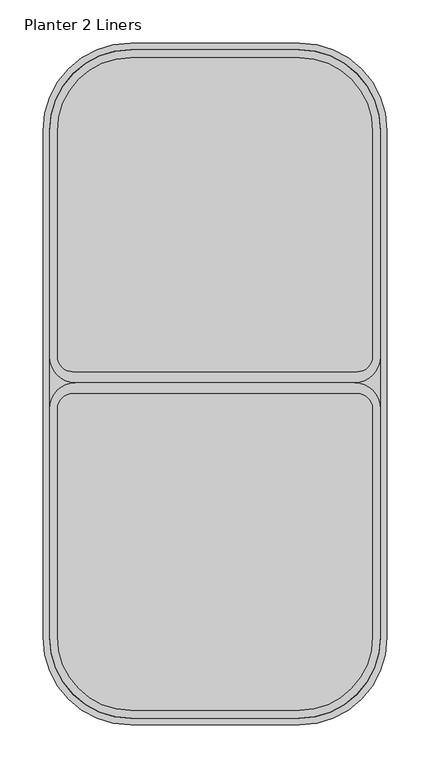
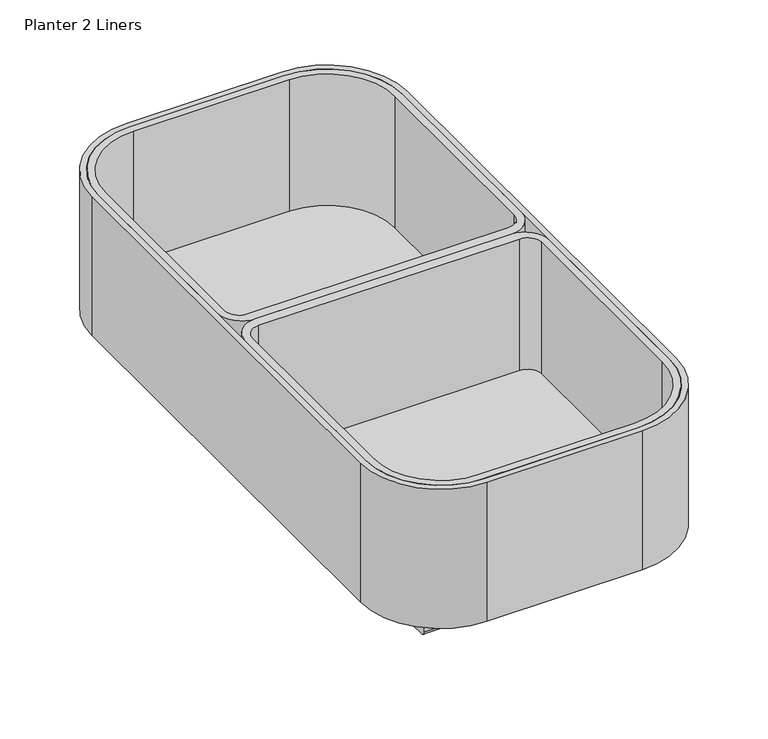
"""IFC4 building model written with IfcOpenShell, lengths in millimetres: furniture geometry, Planter 2 Liners."""

import ifcopenshell
import ifcopenshell.guid

model = None  # the IFC model being written
_history = None  # IfcOwnerHistory: only IFC2X3 demands one
_inside = {}  # id of a spatial element -> (the spatial element, [elements in it])
_under = {}  # id of a project, library or spatial element -> (it, [spatial elements below it])
_declared = {}  # id of a project -> (the project, [libraries it declares])
_typed = {}  # id of a type object -> (the type object, [elements of that type])
_made_of = {}  # id of a material, layer set ... -> (it, [elements and type objects made of it])


def new_model(schema):
    """Start an empty IFC model of exactly this schema.

    Asked for "IFC4X3", IfcOpenShell would pick the latest addendum, in which some entities
    have other attributes; the version numbers below select the first issue.
    IFC2X3 requires an IfcOwnerHistory on every rooted entity: one is made here for all.
    """
    global model, _history
    if schema == "IFC4X3":
        model = ifcopenshell.file(schema_version=(4, 3, 0, 0))
    else:
        model = ifcopenshell.file(schema=schema)
    _inside.clear()
    _under.clear()
    _declared.clear()
    _typed.clear()
    _made_of.clear()
    _history = None
    if model.schema == "IFC2X3":
        org = make("IfcOrganization", Name="unknown")
        user = make(
            "IfcPersonAndOrganization",
            ThePerson=make("IfcPerson", FamilyName="unknown"),
            TheOrganization=org,
        )
        app = make(
            "IfcApplication",
            ApplicationDeveloper=org,
            Version="unknown",
            ApplicationFullName="unknown",
            ApplicationIdentifier="unknown",
        )
        _history = make(
            "IfcOwnerHistory",
            OwningUser=user,
            OwningApplication=app,
            ChangeAction="ADDED",
            CreationDate=0,
        )
    return model


def make(cls, **values):
    """One entity of the class cls with the attributes given. An attribute that is None is left unset."""
    return model.create_entity(
        cls, **{name: value for name, value in values.items() if value is not None}
    )


def rooted(cls, **values):
    """An entity with a GlobalId (a new one), such as an element, a storey or a relation."""
    return make(cls, GlobalId=ifcopenshell.guid.new(), OwnerHistory=_history, **values)


def si_unit(unit_type, name, prefix=None):
    """IfcSIUnit, for example si_unit("LENGTHUNIT", "METRE", prefix="MILLI")."""
    return make("IfcSIUnit", UnitType=unit_type, Prefix=prefix, Name=name)


def assignment(units):
    """IfcUnitAssignment: the units of a project."""
    return None if units is None else make("IfcUnitAssignment", Units=units)


def point(xyz):
    """IfcCartesianPoint."""
    return None if xyz is None else make("IfcCartesianPoint", Coordinates=xyz)


def direction(xyz):
    """IfcDirection."""
    return None if xyz is None else make("IfcDirection", DirectionRatios=xyz)


def frame(location, z_axis=None, x_axis=None):
    """IfcAxis2Placement3D, a coordinate frame: its origin and axes. An axis left out is left unset."""
    return make(
        "IfcAxis2Placement3D",
        Location=point(location),
        Axis=direction(z_axis),
        RefDirection=direction(x_axis),
    )


def frame_2d(location, x_axis=None):
    """IfcAxis2Placement2D, a coordinate frame in the plane: its origin and x axis."""
    return make(
        "IfcAxis2Placement2D", Location=point(location), RefDirection=direction(x_axis)
    )


def origin():
    """The frame at (0, 0, 0) with its axes left unset."""
    return frame((0.0, 0.0, 0.0))


def place(relative_to, where):
    """IfcLocalPlacement: puts the frame where relative to a parent placement (None: the world)."""
    return make(
        "IfcLocalPlacement", PlacementRelTo=relative_to, RelativePlacement=where
    )


def context(
    kind, dimensions, precision=None, world=None, true_north=None, identifier=None
):
    """IfcGeometricRepresentationContext, for example the 3D "Model" context."""
    return make(
        "IfcGeometricRepresentationContext",
        ContextIdentifier=identifier,
        ContextType=kind,
        CoordinateSpaceDimension=dimensions,
        Precision=precision,
        WorldCoordinateSystem=world,
        TrueNorth=true_north,
    )


def project(units=None, contexts=None):
    """IfcProject with its units and contexts."""
    return rooted(
        "IfcProject",
        Name="project",
        RepresentationContexts=contexts,
        UnitsInContext=assignment(units),
    )


def spatial(cls, under=None, at=None, **own):
    """A site, building, storey or space (cls), placed at a placement, below another one or the project."""
    s = rooted(cls, ObjectPlacement=at, **own)
    if under is not None:
        _under.setdefault(under.id(), (under, []))[1].append(s)
    return s


def polyline(points):
    """IfcPolyline through the points."""
    return make("IfcPolyline", Points=[point(p) for p in points])


def circle_curve(where, radius):
    """IfcCircle in the frame where."""
    return make("IfcCircle", Position=where, Radius=radius)


def trimmed(basis, trim1, trim2, sense, master):
    """IfcTrimmedCurve: the piece of a basis curve between two trims."""
    return make(
        "IfcTrimmedCurve",
        BasisCurve=basis,
        Trim1=trim1,
        Trim2=trim2,
        SenseAgreement=sense,
        MasterRepresentation=master,
    )


def segment(curve, same_sense, transition):
    """IfcCompositeCurveSegment."""
    return make(
        "IfcCompositeCurveSegment",
        Transition=transition,
        SameSense=same_sense,
        ParentCurve=curve,
    )


def composite_curve(segments, self_intersect=None):
    """IfcCompositeCurve: segments joined end to end."""
    return make("IfcCompositeCurve", Segments=segments, SelfIntersect=self_intersect)


def outline(outer, holes=None, kind="AREA"):
    """IfcArbitraryClosedProfileDef: a profile drawn as a closed curve; with holes, ...WithVoids."""
    if holes is None:
        return make("IfcArbitraryClosedProfileDef", ProfileType=kind, OuterCurve=outer)
    return make(
        "IfcArbitraryProfileDefWithVoids",
        ProfileType=kind,
        OuterCurve=outer,
        InnerCurves=holes,
    )


def extrude(swept, where, along, depth):
    """IfcExtrudedAreaSolid: the profile swept, set in the frame where, extruded along a direction by depth."""
    return make(
        "IfcExtrudedAreaSolid",
        SweptArea=swept,
        Position=where,
        ExtrudedDirection=direction(along),
        Depth=depth,
    )


def shape(context_of_items, identifier, shape_type, items):
    """IfcShapeRepresentation: the items that make up one representation, for example the "Body"."""
    return make(
        "IfcShapeRepresentation",
        ContextOfItems=context_of_items,
        RepresentationIdentifier=identifier,
        RepresentationType=shape_type,
        Items=items,
    )


def source(mapping_origin, context_of_items, identifier, shape_type, items):
    """IfcRepresentationMap: a shape defined once, which mapped items show again and again."""
    return make(
        "IfcRepresentationMap",
        MappingOrigin=mapping_origin,
        MappedRepresentation=shape(context_of_items, identifier, shape_type, items),
    )


def transform(
    local_origin,
    x_axis=None,
    y_axis=None,
    z_axis=None,
    scale=None,
    scale2=None,
    scale3=None,
    uniform=True,
):
    """IfcCartesianTransformationOperator3D, or its non-uniform kind. x_axis, y_axis, z_axis: its Axis1, 2, 3."""
    if uniform:
        return make(
            "IfcCartesianTransformationOperator3D",
            Axis1=direction(x_axis),
            Axis2=direction(y_axis),
            LocalOrigin=point(local_origin),
            Scale=scale,
            Axis3=direction(z_axis),
        )
    return make(
        "IfcCartesianTransformationOperator3DnonUniform",
        Axis1=direction(x_axis),
        Axis2=direction(y_axis),
        LocalOrigin=point(local_origin),
        Scale=scale,
        Axis3=direction(z_axis),
        Scale2=scale2,
        Scale3=scale3,
    )


def mapped(mapping_source, mapping_target):
    """IfcMappedItem: shows the shape of a source again, moved by a transform."""
    return make(
        "IfcMappedItem", MappingSource=mapping_source, MappingTarget=mapping_target
    )


def made_of(thing, what):
    """Note that an element or type object is made of a material, layer set ...; save() writes the relation."""
    if what is not None:
        _made_of.setdefault(what.id(), (what, []))[1].append(thing)
    return thing


def element(
    cls,
    number,
    at=None,
    inside=None,
    cuts=None,
    type_object=None,
    material=None,
    context=None,
    identifier="Body",
    shape_type=None,
    held_by="IfcProductDefinitionShape",
    body=None,
    shapes=None,
    **own,
):
    """One element of the class cls, such as IfcWall. Its Tag is "e" and its number.

    at: its placement. inside: the storey or other place that contains it. cuts: it is an
    opening in that element (IfcRelVoidsElement). A single representation is given by context,
    identifier, shape_type and body (its items); several are given by shapes. held_by: the class
    of the entity that holds the representations. save() writes the other relations.
    """
    e = rooted(cls, Tag="e%d" % number, ObjectPlacement=at, **own)
    if body is not None:
        shapes = [shape(context, identifier, shape_type, body)]
    if shapes is not None:
        e.Representation = make(held_by, Representations=shapes)
    if inside is not None:
        _inside.setdefault(inside.id(), (inside, []))[1].append(e)
    if cuts is not None:
        rooted(
            "IfcRelVoidsElement", RelatingBuildingElement=cuts, RelatedOpeningElement=e
        )
    if type_object is not None:
        _typed.setdefault(type_object.id(), (type_object, []))[1].append(e)
    return made_of(e, material)


def aggregate(whole, parts):
    """IfcRelAggregates: a whole, such as a stair, and the parts it consists of."""
    return rooted("IfcRelAggregates", RelatingObject=whole, RelatedObjects=parts)


def save(model, path):
    """Write the relations noted so far, then the file.

    IfcRelAggregates (storeys below a building ...), IfcRelContainedInSpatialStructure (elements
    in a storey), IfcRelDefinesByType, IfcRelAssociatesMaterial and IfcRelDeclares: one each for
    every whole, place, type object, material and project.
    """
    for whole, parts in _under.values():
        aggregate(whole, parts)
    for where, things in _inside.values():
        rooted(
            "IfcRelContainedInSpatialStructure",
            RelatedElements=things,
            RelatingStructure=where,
        )
    for kind, things in _typed.values():
        rooted("IfcRelDefinesByType", RelatedObjects=things, RelatingType=kind)
    for what, things in _made_of.values():
        rooted("IfcRelAssociatesMaterial", RelatedObjects=things, RelatingMaterial=what)
    for by, libraries in _declared.values():
        rooted("IfcRelDeclares", RelatingContext=by, RelatedDefinitions=libraries)
    model.write(path)


def planter_2_liners_fdd25d95(model_context):
    return source(origin(), model_context, "Body", "SweptSolid", [
        extrude(outline(composite_curve([segment(trimmed(circle_curve(frame_2d((-303.8321315, 707.9918722)), 95.25), [point((-399.0821315, 707.9918722))], [point((-303.8321315, 803.2418722))], False, "CARTESIAN"), True, "CONTINUOUS"), segment(polyline([(-303.8321315, 803.2418722), (-109.5250383, 803.2418722)]), True, "CONTINUOUS"), segment(trimmed(circle_curve(frame_2d((-109.5250383, 707.9918722)), 95.25), [point((-109.5250383, 803.2418722))], [point((-14.2750383, 707.9918722))], False, "CARTESIAN"), True, "CONTINUOUS"), segment(polyline([(-14.2750383, 707.9918722), (-14.2750383, 120.3961637)]), True, "CONTINUOUS"), segment(trimmed(circle_curve(frame_2d((-108.2550383, 120.3961637)), 93.98), [point((-14.2750383, 120.3961637))], [point((-108.2550383, 26.4161637))], False, "CARTESIAN"), True, "CONTINUOUS"), segment(polyline([(-108.2550383, 26.4161637), (-305.1021315, 26.4161637)]), True, "CONTINUOUS"), segment(trimmed(circle_curve(frame_2d((-305.1021315, 120.3961637)), 93.98), [point((-305.1021315, 26.4161637))], [point((-399.0821315, 120.3961637))], False, "CARTESIAN"), True, "CONTINUOUS"), segment(polyline([(-399.0821315, 120.3961637), (-399.0821315, 707.9918722)]), True, "CONTINUOUS")], self_intersect=False)), frame((0.0, 0.0, 131.1254356), z_axis=(0.0, 0.0, 1.0), x_axis=(1.0, 0.0, 0.0)), (0.0, 0.0, 1.0), 10.0545105),
        extrude(outline(composite_curve([segment(trimmed(circle_curve(frame_2d((-44.7550383, 385.8819626)), 30.48), [point((-44.7550383, 416.3619626))], [point((-14.2750383, 385.8819626))], False, "CARTESIAN"), True, "CONTINUOUS"), segment(polyline([(-14.2750383, 385.8819626), (-14.2750383, 121.6661637)]), True, "CONTINUOUS"), segment(trimmed(circle_curve(frame_2d((-109.5250383, 121.6661637)), 95.25), [point((-14.2750383, 121.6661637))], [point((-109.5250383, 26.4161637))], False, "CARTESIAN"), True, "CONTINUOUS"), segment(polyline([(-109.5250383, 26.4161637), (-303.8321315, 26.4161637)]), True, "CONTINUOUS"), segment(trimmed(circle_curve(frame_2d((-303.8321315, 121.6661637)), 95.25), [point((-303.8321315, 26.4161637))], [point((-399.0821315, 121.6661637))], False, "CARTESIAN"), True, "CONTINUOUS"), segment(polyline([(-399.0821315, 121.6661637), (-399.0821315, 385.8819626)]), True, "CONTINUOUS"), segment(trimmed(circle_curve(frame_2d((-368.6021315, 385.8819626)), 30.48), [point((-399.0821315, 385.8819626))], [point((-368.6021315, 416.3619626))], False, "CARTESIAN"), True, "CONTINUOUS"), segment(polyline([(-368.6021315, 416.3619626), (-44.7550383, 416.3619626)]), True, "CONTINUOUS")], self_intersect=False), holes=[composite_curve([segment(polyline([(-305.1021315, 35.9411637), (-108.2550383, 35.9411637)]), True, "CONTINUOUS"), segment(trimmed(circle_curve(frame_2d((-108.2550383, 120.5865272)), 84.6453635), [point((-108.2550383, 35.9411637))], [point((-23.6165604, 121.6661637))], True, "CARTESIAN"), True, "CONTINUOUS"), segment(polyline([(-23.6165604, 121.6661637), (-23.6165604, 385.8819626)]), True, "CONTINUOUS"), segment(trimmed(circle_curve(frame_2d((-41.3965604, 385.8819626)), 17.78), [point((-23.6165604, 385.8819626))], [point((-41.3965604, 403.6619626))], True, "CARTESIAN"), True, "CONTINUOUS"), segment(polyline([(-41.3965604, 403.6619626), (-371.9057041, 403.6619626)]), True, "CONTINUOUS"), segment(trimmed(circle_curve(frame_2d((-371.9057041, 385.8819626)), 17.78), [point((-371.9057041, 403.6619626))], [point((-389.6857041, 385.8819626))], True, "CARTESIAN"), True, "CONTINUOUS"), segment(polyline([(-389.6857041, 385.8819626), (-389.6857041, 121.6661637)]), True, "CONTINUOUS"), segment(trimmed(circle_curve(frame_2d((-305.1021315, 120.5323354)), 84.5911716), [point((-389.6857041, 121.6661637))], [point((-305.1021315, 35.9411637))], True, "CARTESIAN"), True, "CONTINUOUS")], self_intersect=False)]), frame((0.0, 0.0, 141.179946), z_axis=(0.0, 0.0, 1.0), x_axis=(1.0, 0.0, 0.0)), (0.0, 0.0, 1.0), 176.278838),
        extrude(outline(composite_curve([segment(polyline([(-44.7550383, 416.3619626), (-368.6021315, 416.3619626)]), True, "CONTINUOUS"), segment(trimmed(circle_curve(frame_2d((-368.6021315, 446.8419626)), 30.48), [point((-368.6021315, 416.3619626))], [point((-399.0821315, 446.8419626))], False, "CARTESIAN"), True, "CONTINUOUS"), segment(polyline([(-399.0821315, 446.8419626), (-399.0821315, 707.9918722)]), True, "CONTINUOUS"), segment(trimmed(circle_curve(frame_2d((-303.8321315, 707.9918722)), 95.25), [point((-399.0821315, 707.9918722))], [point((-303.8321315, 803.2418722))], False, "CARTESIAN"), True, "CONTINUOUS"), segment(polyline([(-303.8321315, 803.2418722), (-109.5250383, 803.2418722)]), True, "CONTINUOUS"), segment(trimmed(circle_curve(frame_2d((-109.5250383, 707.9918722)), 95.25), [point((-109.5250383, 803.2418722))], [point((-14.2750383, 707.9918722))], False, "CARTESIAN"), True, "CONTINUOUS"), segment(polyline([(-14.2750383, 707.9918722), (-14.2750383, 446.8419626)]), True, "CONTINUOUS"), segment(trimmed(circle_curve(frame_2d((-44.7550383, 446.8419626)), 30.48), [point((-14.2750383, 446.8419626))], [point((-44.7550383, 416.3619626))], False, "CARTESIAN"), True, "CONTINUOUS")], self_intersect=False), holes=[composite_curve([segment(trimmed(circle_curve(frame_2d((-305.1021315, 709.1257005)), 84.5911716), [point((-305.1021315, 793.7168722))], [point((-389.6857041, 707.9918722))], True, "CARTESIAN"), True, "CONTINUOUS"), segment(polyline([(-389.6857041, 707.9918722), (-389.6857041, 446.8419626)]), True, "CONTINUOUS"), segment(trimmed(circle_curve(frame_2d((-371.9057041, 446.8419626)), 17.78), [point((-389.6857041, 446.8419626))], [point((-371.9057041, 429.0619626))], True, "CARTESIAN"), True, "CONTINUOUS"), segment(polyline([(-371.9057041, 429.0619626), (-41.3965604, 429.0619626)]), True, "CONTINUOUS"), segment(trimmed(circle_curve(frame_2d((-41.3965604, 446.8419626)), 17.78), [point((-41.3965604, 429.0619626))], [point((-23.6165604, 446.8419626))], True, "CARTESIAN"), True, "CONTINUOUS"), segment(polyline([(-23.6165604, 446.8419626), (-23.6165604, 707.9918722)]), True, "CONTINUOUS"), segment(trimmed(circle_curve(frame_2d((-108.2550383, 709.0715087)), 84.6453635), [point((-23.6165604, 707.9918722))], [point((-108.2550383, 793.7168722))], True, "CARTESIAN"), True, "CONTINUOUS"), segment(polyline([(-108.2550383, 793.7168722), (-305.1021315, 793.7168722)]), True, "CONTINUOUS")], self_intersect=False)]), frame((0.0, 0.0, 141.179946), z_axis=(0.0, 0.0, 1.0), x_axis=(1.0, 0.0, 0.0)), (0.0, 0.0, 1.0), 176.278838),
        extrude(outline(composite_curve([segment(trimmed(circle_curve(frame_2d((108.865872, 125.0107271)), 5.08), [point((103.785872, 125.0107271))], [point((108.865872, 130.0907271))], False, "CARTESIAN"), True, "CONTINUOUS"), segment(polyline([(108.865872, 130.0907271), (128.9876575, 130.0907271)]), True, "CONTINUOUS"), segment(trimmed(circle_curve(frame_2d((128.9876575, 125.0107271)), 5.08), [point((128.9876575, 130.0907271))], [point((134.0676575, 125.0107271))], False, "CARTESIAN"), True, "CONTINUOUS"), segment(polyline([(134.0676575, 125.0107271), (134.0676575, 75.5475648)]), True, "CONTINUOUS"), segment(trimmed(circle_curve(frame_2d((129.0980339, 75.5475648)), 4.9696236), [point((134.0676575, 75.5475648))], [point((129.0980339, 70.5779413))], False, "CARTESIAN"), True, "CONTINUOUS"), segment(polyline([(129.0980339, 70.5779413), (108.865872, 70.5779413)]), True, "CONTINUOUS"), segment(trimmed(circle_curve(frame_2d((108.865872, 75.6579413)), 5.08), [point((108.865872, 70.5779413))], [point((103.785872, 75.6579413))], False, "CARTESIAN"), True, "CONTINUOUS"), segment(polyline([(103.785872, 75.6579413), (103.785872, 125.0107271)]), True, "CONTINUOUS")], self_intersect=False)), frame((-335.7539124, 0.0, 0.0), z_axis=(1.0, 0.0, 0.0), x_axis=(0.0, 1.0, 0.0)), (0.0, 0.0, 1.0), 259.9987358),
        extrude(outline(composite_curve([segment(trimmed(circle_curve(frame_2d((688.6735965, 125.0107271)), 5.08), [point((683.5935965, 125.0107271))], [point((688.6735965, 130.0907271))], False, "CARTESIAN"), True, "CONTINUOUS"), segment(polyline([(688.6735965, 130.0907271), (708.795382, 130.0907271)]), True, "CONTINUOUS"), segment(trimmed(circle_curve(frame_2d((708.795382, 125.0107271)), 5.08), [point((708.795382, 130.0907271))], [point((713.875382, 125.0107271))], False, "CARTESIAN"), True, "CONTINUOUS"), segment(polyline([(713.875382, 125.0107271), (713.875382, 75.5475648)]), True, "CONTINUOUS"), segment(trimmed(circle_curve(frame_2d((708.9057584, 75.5475648)), 4.9696236), [point((713.875382, 75.5475648))], [point((708.9057584, 70.5779413))], False, "CARTESIAN"), True, "CONTINUOUS"), segment(polyline([(708.9057584, 70.5779413), (688.6735965, 70.5779413)]), True, "CONTINUOUS"), segment(trimmed(circle_curve(frame_2d((688.6735965, 75.6579413)), 5.08), [point((688.6735965, 70.5779413))], [point((683.5935965, 75.6579413))], False, "CARTESIAN"), True, "CONTINUOUS"), segment(polyline([(683.5935965, 75.6579413), (683.5935965, 125.0107271)]), True, "CONTINUOUS")], self_intersect=False)), frame((-335.7539124, 0.0, 0.0), z_axis=(1.0, 0.0, 0.0), x_axis=(0.0, 1.0, 0.0)), (0.0, 0.0, 1.0), 259.9987358),
        extrude(outline(composite_curve([segment(trimmed(circle_curve(frame_2d((-108.2550383, 709.2618722)), 101.6), [point((-108.2550383, 810.8618722))], [point((-6.6550383, 709.2618722))], False, "CARTESIAN"), True, "CONTINUOUS"), segment(polyline([(-6.6550383, 709.2618722), (-6.6550383, 120.3961637)]), True, "CONTINUOUS"), segment(trimmed(circle_curve(frame_2d((-108.2550383, 120.3961637)), 101.6), [point((-6.6550383, 120.3961637))], [point((-108.2550383, 18.7961637))], False, "CARTESIAN"), True, "CONTINUOUS"), segment(polyline([(-108.2550383, 18.7961637), (-305.1021315, 18.7961637)]), True, "CONTINUOUS"), segment(trimmed(circle_curve(frame_2d((-305.1021315, 120.3961637)), 101.6), [point((-305.1021315, 18.7961637))], [point((-406.7021315, 120.3961637))], False, "CARTESIAN"), True, "CONTINUOUS"), segment(polyline([(-406.7021315, 120.3961637), (-406.7021315, 709.2618722)]), True, "CONTINUOUS"), segment(trimmed(circle_curve(frame_2d((-305.1021315, 709.2618722)), 101.6), [point((-406.7021315, 709.2618722))], [point((-305.1021315, 810.8618722))], False, "CARTESIAN"), True, "CONTINUOUS"), segment(polyline([(-305.1021315, 810.8618722), (-108.2550383, 810.8618722)]), True, "CONTINUOUS")], self_intersect=False), holes=[composite_curve([segment(trimmed(circle_curve(frame_2d((-108.2550383, 120.3961637)), 93.98), [point((-108.2550383, 26.4161637))], [point((-14.2750383, 120.3961637))], True, "CARTESIAN"), True, "CONTINUOUS"), segment(polyline([(-14.2750383, 120.3961637), (-14.2750383, 709.2618722)]), True, "CONTINUOUS"), segment(trimmed(circle_curve(frame_2d((-108.2550383, 709.2618722)), 93.98), [point((-14.2750383, 709.2618722))], [point((-108.2550383, 803.2418722))], True, "CARTESIAN"), True, "CONTINUOUS"), segment(polyline([(-108.2550383, 803.2418722), (-305.1021315, 803.2418722)]), True, "CONTINUOUS"), segment(trimmed(circle_curve(frame_2d((-305.1021315, 709.2618722)), 93.98), [point((-305.1021315, 803.2418722))], [point((-399.0821315, 709.2618722))], True, "CARTESIAN"), True, "CONTINUOUS"), segment(polyline([(-399.0821315, 709.2618722), (-399.0821315, 120.3961637)]), True, "CONTINUOUS"), segment(trimmed(circle_curve(frame_2d((-305.1021315, 120.3961637)), 93.98), [point((-399.0821315, 120.3961637))], [point((-305.1021315, 26.4161637))], True, "CARTESIAN"), True, "CONTINUOUS"), segment(polyline([(-305.1021315, 26.4161637), (-108.2550383, 26.4161637)]), True, "CONTINUOUS")], self_intersect=False)]), frame((0.0, 0.0, 131.1254356), z_axis=(0.0, 0.0, 1.0), x_axis=(1.0, 0.0, 0.0)), (0.0, 0.0, 1.0), 186.3333484),
    ])


if __name__ == "__main__":
    model = new_model("IFC4")
    model_context = context("Model", 3, world=origin())
    ifc_project = project(units=[si_unit("LENGTHUNIT", "METRE", prefix="MILLI")], contexts=[model_context])
    site = spatial("IfcSite", under=ifc_project)
    building = spatial("IfcBuilding", under=site)
    placement = place(None, origin())
    planter_2_liners_shape = planter_2_liners_fdd25d95(model_context)
    element("IfcFurniture", 1, ObjectType="Planter 2 Liners", at=placement, inside=building, context=model_context, shape_type="MappedRepresentation", body=[
        mapped(planter_2_liners_shape, transform((0.0, 0.0, 0.0), x_axis=(1.0, 0.0, 0.0), y_axis=(0.0, 1.0, 0.0), z_axis=(0.0, 0.0, 1.0))),
    ])
    save(model, "model.ifc")
